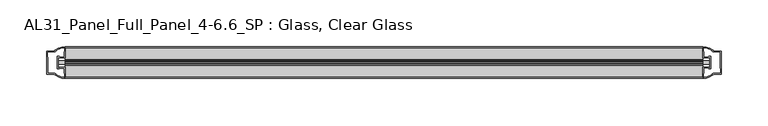
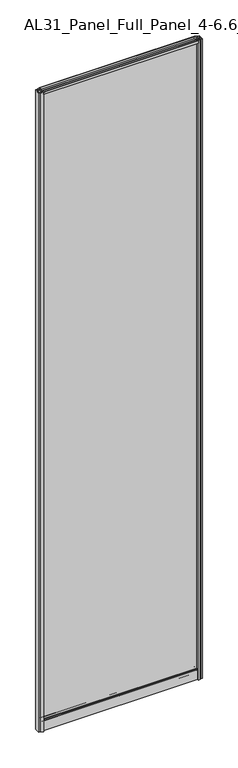
"""IFC4 building model written with IfcOpenShell, lengths in millimetres: plate geometry, AL31_Panel_Full_Panel_4-6.6_SP : Glass, Clear Glass."""

from ifc_helpers import new_model, si_unit, point, frame, frame_2d, origin, origin_with_axes, place, context, project, spatial, polyline, circle_curve, trimmed, segment, composite_curve, outline, extrude, source, transform, mapped, element, save


def al31_panel_full_panel_4_6_6_sp_glass_clear_glass_9a913c65(model_context):
    return source(origin(), model_context, "Body", "SweptSolid", [
        extrude(outline(composite_curve([segment(trimmed(circle_curve(frame_2d((-0.1, 2966.3)), 3.0), [point((1.4, 2968.8980762))], [point((2.3718414, 2964.6))], False, "CARTESIAN"), True, "CONTINUOUS"), segment(polyline([(2.3718414, 2964.6), (15.7, 2964.6), (15.7, 2974.0), (17.0, 2974.0), (17.0, 2963.5), (6.7024688, 2963.5), (6.7024688, 2962.7), (6.1968782, 2960.7785039), (6.1968782, 2956.1), (5.0, 2956.1), (5.0, 2961.4339746), (5.5, 2962.3), (5.5, 2963.5), (-5.5, 2963.5), (-5.5, 2962.3), (-5.0, 2961.4339746), (-5.0, 2956.1), (-6.1968782, 2956.1), (-6.1968782, 2960.7785039), (-6.7024688, 2962.7), (-6.7024688, 2963.5), (-17.0, 2963.5), (-17.0, 2974.0), (-15.7, 2974.0), (-15.7, 2964.6), (-2.5718414, 2964.6)]), True, "CONTINUOUS"), segment(trimmed(circle_curve(frame_2d((-0.1, 2966.3)), 3.0), [point((-2.5718414, 2964.6))], [point((-1.6, 2968.8980762))], False, "CARTESIAN"), True, "CONTINUOUS"), segment(polyline([(-1.6, 2968.8980762), (-1.05, 2967.9454483)]), True, "CONTINUOUS"), segment(trimmed(circle_curve(frame_2d((-0.1, 2966.3)), 1.9), [point((-1.05, 2967.9454483))], [point((0.85, 2967.9454483))], True, "CARTESIAN"), True, "CONTINUOUS"), segment(polyline([(0.85, 2967.9454483), (1.4, 2968.8980762)]), True, "CONTINUOUS")], self_intersect=False)), frame((-341.1011739, 0.0, 0.0), z_axis=(1.0, 0.0, 0.0), x_axis=(0.0, 1.0, 0.0)), (0.0, 0.0, 1.0), 682.2023477),
        extrude(outline(composite_curve([segment(polyline([(-348.9425952, 5.9), (-348.9425952, -5.9), (-347.7425952, -5.9), (-347.7425952, -5.0), (-341.1011739, -5.0), (-341.1011739, -17.0003314)]), True, "CONTINUOUS"), segment(trimmed(circle_curve(frame_2d((-340.7365223, 2.9963441)), 20.0), [point((-341.1011739, -17.0003314))], [point((-352.4570091, -13.2095249))], False, "CARTESIAN"), True, "CONTINUOUS"), segment(polyline([(-352.4570091, -13.2095249), (-352.4570091, -12.3720657), (-361.1011739, -12.3720657), (-361.1011739, 12.3279343), (-352.4570091, 12.3279343), (-352.4570091, 13.2093388)]), True, "CONTINUOUS"), segment(trimmed(circle_curve(frame_2d((-340.7365223, -2.9965302)), 20.0), [point((-352.4570091, 13.2093388))], [point((-341.1011739, 17.0001453))], False, "CARTESIAN"), True, "CONTINUOUS"), segment(polyline([(-341.1011739, 17.0001453), (-341.1011739, 5.0), (-347.7425952, 5.0), (-347.7425952, 5.9), (-348.9425952, 5.9)]), True, "CONTINUOUS")], self_intersect=False), holes=[composite_curve([segment(polyline([(-347.9425952, -7.2), (-350.2425952, -7.2), (-350.2425952, 7.2), (-347.9425952, 7.2)]), True, "CONTINUOUS"), segment(trimmed(circle_curve(frame_2d((-347.9425952, 5.7)), 1.5), [point((-347.9425952, 7.2))], [point((-346.5674435, 6.2991308))], False, "CARTESIAN"), True, "CONTINUOUS"), segment(polyline([(-346.5674435, 6.2991308), (-342.8425952, 6.2991308), (-342.8425952, 10.8950916), (-342.4032554, 11.9557518), (-342.4032554, 15.6058503)]), True, "CONTINUOUS"), segment(trimmed(circle_curve(frame_2d((-340.7365223, -3.0197235)), 18.7), [point((-342.4032554, 15.6058503))], [point((-350.7433, 12.7775673))], True, "CARTESIAN"), True, "CONTINUOUS"), segment(trimmed(circle_curve(frame_2d((-352.5425952, 12.8279343)), 1.8), [point((-350.7433, 12.7775673))], [point((-352.5425952, 11.0279343))], False, "CARTESIAN"), True, "CONTINUOUS"), segment(polyline([(-352.5425952, 11.0279343), (-359.7425952, 11.0279343), (-359.7425952, 6.3879987), (-359.2425952, 5.3950916), (-359.2425952, -5.439223), (-359.6840165, -6.5019606), (-359.6840165, -11.0720657), (-352.5425952, -11.0720657)]), True, "CONTINUOUS"), segment(trimmed(circle_curve(frame_2d((-352.5425952, -12.8720657)), 1.8), [point((-352.5425952, -11.0720657))], [point((-350.7433, -12.8216987))], False, "CARTESIAN"), True, "CONTINUOUS"), segment(trimmed(circle_curve(frame_2d((-340.7365223, 2.9755921)), 18.7), [point((-350.7433, -12.8216987))], [point((-342.4032554, -15.6499817))], True, "CARTESIAN"), True, "CONTINUOUS"), segment(polyline([(-342.4032554, -15.6499817), (-342.4032554, -11.9998832), (-342.8425952, -10.939223), (-342.8425952, -6.3428731), (-346.5873409, -6.3428731)]), True, "CONTINUOUS"), segment(trimmed(circle_curve(frame_2d((-347.9425952, -5.7)), 1.5), [point((-346.5873409, -6.3428731))], [point((-347.9425952, -7.2))], False, "CARTESIAN"), True, "CONTINUOUS")], self_intersect=False)]), origin_with_axes(), (0.0, 0.0, 1.0), 2974.0),
        extrude(outline(composite_curve([segment(polyline([(348.9425952, -5.9), (348.9425952, 5.9), (347.7425952, 5.9), (347.7425952, 5.0), (341.1011739, 5.0), (341.1011739, 17.0003314)]), True, "CONTINUOUS"), segment(trimmed(circle_curve(frame_2d((340.7365223, -2.9963441)), 20.0), [point((341.1011739, 17.0003314))], [point((352.4570091, 13.2095249))], False, "CARTESIAN"), True, "CONTINUOUS"), segment(polyline([(352.4570091, 13.2095249), (352.4570091, 12.3720657), (361.1011739, 12.3720657), (361.1011739, -12.3279343), (352.4570091, -12.3279343), (352.4570091, -13.2093388)]), True, "CONTINUOUS"), segment(trimmed(circle_curve(frame_2d((340.7365223, 2.9965302)), 20.0), [point((352.4570091, -13.2093388))], [point((341.1011739, -17.0001453))], False, "CARTESIAN"), True, "CONTINUOUS"), segment(polyline([(341.1011739, -17.0001453), (341.1011739, -5.0), (347.7425952, -5.0), (347.7425952, -5.9), (348.9425952, -5.9)]), True, "CONTINUOUS")], self_intersect=False), holes=[composite_curve([segment(polyline([(347.9425952, 7.2), (350.2425952, 7.2), (350.2425952, -7.2), (347.9425952, -7.2)]), True, "CONTINUOUS"), segment(trimmed(circle_curve(frame_2d((347.9425952, -5.7)), 1.5), [point((347.9425952, -7.2))], [point((346.5674435, -6.2991308))], False, "CARTESIAN"), True, "CONTINUOUS"), segment(polyline([(346.5674435, -6.2991308), (342.8425952, -6.2991308), (342.8425952, -10.8950916), (342.4032554, -11.9557518), (342.4032554, -15.6058503)]), True, "CONTINUOUS"), segment(trimmed(circle_curve(frame_2d((340.7365223, 3.0197235)), 18.7), [point((342.4032554, -15.6058503))], [point((350.7433, -12.7775673))], True, "CARTESIAN"), True, "CONTINUOUS"), segment(trimmed(circle_curve(frame_2d((352.5425952, -12.8279343)), 1.8), [point((350.7433, -12.7775673))], [point((352.5425952, -11.0279343))], False, "CARTESIAN"), True, "CONTINUOUS"), segment(polyline([(352.5425952, -11.0279343), (359.7425952, -11.0279343), (359.7425952, -6.3879987), (359.2425952, -5.3950916), (359.2425952, 5.439223), (359.6840165, 6.5019606), (359.6840165, 11.0720657), (352.5425952, 11.0720657)]), True, "CONTINUOUS"), segment(trimmed(circle_curve(frame_2d((352.5425952, 12.8720657)), 1.8), [point((352.5425952, 11.0720657))], [point((350.7433, 12.8216987))], False, "CARTESIAN"), True, "CONTINUOUS"), segment(trimmed(circle_curve(frame_2d((340.7365223, -2.9755921)), 18.7), [point((350.7433, 12.8216987))], [point((342.4032554, 15.6499817))], True, "CARTESIAN"), True, "CONTINUOUS"), segment(polyline([(342.4032554, 15.6499817), (342.4032554, 11.9998832), (342.8425952, 10.939223), (342.8425952, 6.3428731), (346.5873409, 6.3428731)]), True, "CONTINUOUS"), segment(trimmed(circle_curve(frame_2d((347.9425952, 5.7)), 1.5), [point((346.5873409, 6.3428731))], [point((347.9425952, 7.2))], False, "CARTESIAN"), True, "CONTINUOUS")], self_intersect=False)]), origin_with_axes(), (0.0, 0.0, 1.0), 2974.0),
        extrude(outline(composite_curve([segment(polyline([(8.4, 35.8), (-8.4, 35.8)]), True, "CONTINUOUS"), segment(trimmed(circle_curve(frame_2d((-8.4, 34.8)), 1.0), [point((-8.4, 35.8))], [point((-9.4, 34.8))], True, "CARTESIAN"), True, "CONTINUOUS"), segment(polyline([(-9.4, 34.8), (-9.4, 33.5), (-4.9999697, 33.5), (-4.9999697, 32.3), (-9.4, 32.3), (-9.4, 0.0), (-10.6, 0.0), (-10.6, 47.3)]), True, "CONTINUOUS"), segment(trimmed(circle_curve(frame_2d((-8.6, 47.3)), 2.0), [point((-10.6, 47.3))], [point((-8.6, 49.3))], False, "CARTESIAN"), True, "CONTINUOUS"), segment(polyline([(-8.6, 49.3), (-5.0, 49.3), (-5.0, 41.9), (5.0, 41.9), (5.0, 49.3), (8.6, 49.3)]), True, "CONTINUOUS"), segment(trimmed(circle_curve(frame_2d((8.6, 47.3)), 2.0), [point((8.6, 49.3))], [point((10.6, 47.3))], False, "CARTESIAN"), True, "CONTINUOUS"), segment(polyline([(10.6, 47.3), (10.6, 0.0), (9.4, 0.0), (9.4, 32.3), (5.0000303, 32.3), (5.0000303, 33.5), (9.4, 33.5), (9.4, 34.8)]), True, "CONTINUOUS"), segment(trimmed(circle_curve(frame_2d((8.4, 34.8)), 1.0), [point((9.4, 34.8))], [point((8.4, 35.8))], True, "CARTESIAN"), True, "CONTINUOUS")], self_intersect=False), holes=[composite_curve([segment(polyline([(-6.5024688, 41.8), (-6.5024688, 42.9)]), True, "CONTINUOUS"), segment(trimmed(circle_curve(frame_2d((-5.3024688, 42.9)), 1.2), [point((-6.5024688, 42.9))], [point((-6.1198184, 43.7786009))], False, "CARTESIAN"), True, "CONTINUOUS"), segment(polyline([(-6.1198184, 43.7786009), (-6.1198184, 48.2), (-8.4, 48.2)]), True, "CONTINUOUS"), segment(trimmed(circle_curve(frame_2d((-8.4, 47.2)), 1.0), [point((-8.4, 48.2))], [point((-9.4, 47.2))], True, "CARTESIAN"), True, "CONTINUOUS"), segment(polyline([(-9.4, 47.2), (-9.4, 37.04), (-2.8008965, 37.04), (-2.8008965, 38.0725806), (-1.8370508, 38.0725806)]), True, "CONTINUOUS"), segment(trimmed(circle_curve(frame_2d((0.0, 39.1)), 2.1048387), [point((-1.8370508, 38.0725806))], [point((1.8370508, 38.0725806))], True, "CARTESIAN"), True, "CONTINUOUS"), segment(polyline([(1.8370508, 38.0725806), (2.8008965, 38.0725806), (2.8008965, 37.04), (9.4, 37.04), (9.4, 47.2)]), True, "CONTINUOUS"), segment(trimmed(circle_curve(frame_2d((8.4, 47.2)), 1.0), [point((9.4, 47.2))], [point((8.4, 48.2))], True, "CARTESIAN"), True, "CONTINUOUS"), segment(polyline([(8.4, 48.2), (6.1198184, 48.2), (6.1198184, 43.5786009)]), True, "CONTINUOUS"), segment(trimmed(circle_curve(frame_2d((5.3024688, 42.7)), 1.2), [point((6.1198184, 43.5786009))], [point((6.5024688, 42.7))], False, "CARTESIAN"), True, "CONTINUOUS"), segment(polyline([(6.5024688, 42.7), (6.5024688, 41.8)]), True, "CONTINUOUS"), segment(trimmed(circle_curve(frame_2d((5.5024688, 41.8)), 1.0), [point((6.5024688, 41.8))], [point((5.5024688, 40.8))], False, "CARTESIAN"), True, "CONTINUOUS"), segment(polyline([(5.5024688, 40.8), (2.8008965, 40.8), (2.8008965, 39.7274194), (1.8370508, 39.7274194)]), True, "CONTINUOUS"), segment(trimmed(circle_curve(frame_2d((0.0, 38.7)), 2.1048387), [point((1.8370508, 39.7274194))], [point((-1.8370508, 39.7274194))], True, "CARTESIAN"), True, "CONTINUOUS"), segment(polyline([(-1.8370508, 39.7274194), (-2.8008965, 39.7274194), (-2.8008965, 40.8), (-5.5024688, 40.8)]), True, "CONTINUOUS"), segment(trimmed(circle_curve(frame_2d((-5.5024688, 41.8)), 1.0), [point((-5.5024688, 40.8))], [point((-6.5024688, 41.8))], False, "CARTESIAN"), True, "CONTINUOUS")], self_intersect=False)]), frame((-341.1011739, 0.0, 0.0), z_axis=(1.0, 0.0, 0.0), x_axis=(0.0, 1.0, 0.0)), (0.0, 0.0, 1.0), 682.2023477),
        extrude(outline(polyline([(348.9425952, -2.0), (-348.9425952, -2.0), (-348.9425952, 2.0), (348.9425952, 2.0), (348.9425952, -2.0)])), frame((0.0, 0.0, 41.9), z_axis=(0.0, 0.0, 1.0), x_axis=(1.0, 0.0, 0.0)), (0.0, 0.0, 1.0), 2921.6),
    ])


if __name__ == "__main__":
    model = new_model("IFC4")
    model_context = context("Model", 3, world=origin())
    ifc_project = project(units=[si_unit("LENGTHUNIT", "METRE", prefix="MILLI")], contexts=[model_context])
    site = spatial("IfcSite", under=ifc_project)
    building = spatial("IfcBuilding", under=site)
    placement = place(None, origin())
    al31_panel_full_panel_4_6_6_sp_glass_clear_glass_shape = al31_panel_full_panel_4_6_6_sp_glass_clear_glass_9a913c65(model_context)
    element("IfcPlate", 1, ObjectType="AL31_Panel_Full_Panel_4-6.6_SP : Glass, Clear Glass", at=placement, inside=building, context=model_context, shape_type="MappedRepresentation", body=[
        mapped(al31_panel_full_panel_4_6_6_sp_glass_clear_glass_shape, transform((0.0, 0.0, 0.0), x_axis=(1.0, 0.0, 0.0), y_axis=(0.0, 1.0, 0.0), z_axis=(0.0, 0.0, 1.0))),
    ])
    save(model, "model.ifc")
